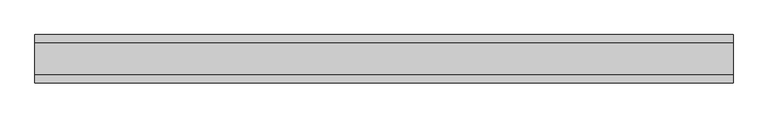
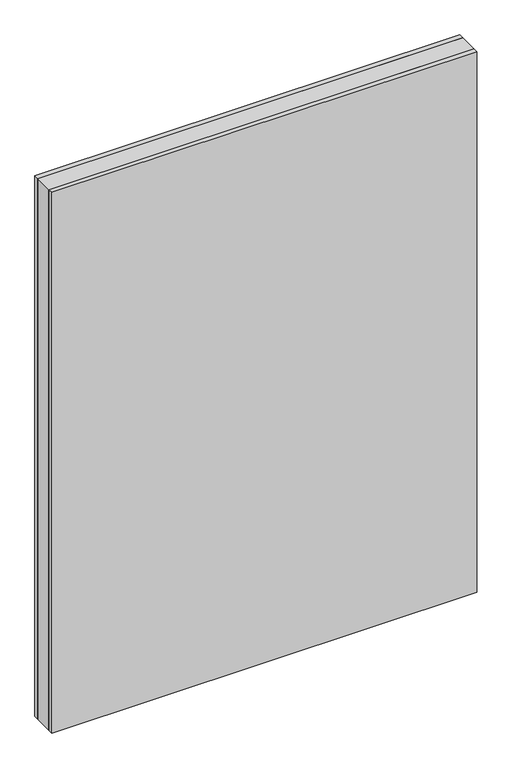
"""IFC4 building model written with IfcOpenShell, lengths in millimetres: plate geometry."""

from ifc_helpers import new_model, si_unit, origin, origin_with_axes, place, context, project, spatial, polyline, outline, extrude, source, transform, mapped, element, save


def plate_41a29f37(model_context):
    return source(origin(), model_context, "Body", "SweptSolid", [
        extrude(outline(polyline([(539.6874999, 24.2), (539.6874999, -24.2), (-539.6874999, -24.2), (-539.6874999, 24.2), (539.6874999, 24.2)])), origin_with_axes(), (0.0, 0.0, 1.0), 1451.75),
        extrude(outline(polyline([(539.6874999, 37.2), (539.6874999, 24.2), (-539.6874999, 24.2), (-539.6874999, 37.2), (539.6874999, 37.2)])), origin_with_axes(), (0.0, 0.0, 1.0), 1451.75),
        extrude(outline(polyline([(-539.6874999, -37.2), (-539.6874999, -24.2), (539.6874999, -24.2), (539.6874999, -37.2), (-539.6874999, -37.2)])), origin_with_axes(), (0.0, 0.0, 1.0), 1451.75),
    ])


if __name__ == "__main__":
    model = new_model("IFC4")
    model_context = context("Model", 3, world=origin())
    ifc_project = project(units=[si_unit("LENGTHUNIT", "METRE", prefix="MILLI")], contexts=[model_context])
    site = spatial("IfcSite", under=ifc_project)
    building = spatial("IfcBuilding", under=site)
    placement = place(None, origin())
    plate_shape = plate_41a29f37(model_context)
    element("IfcPlate", 1, at=placement, inside=building, context=model_context, shape_type="MappedRepresentation", body=[
        mapped(plate_shape, transform((0.0, 0.0, 0.0), x_axis=(1.0, 0.0, 0.0), y_axis=(0.0, 1.0, 0.0), z_axis=(0.0, 0.0, 1.0))),
    ])
    save(model, "model.ifc")
